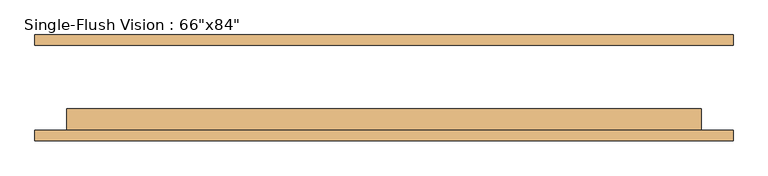
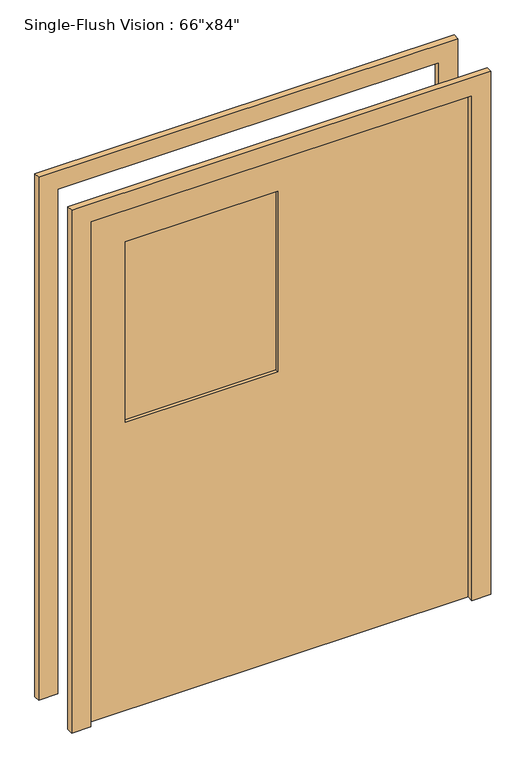
"""IFC4 building model written with IfcOpenShell, lengths in millimetres: door geometry."""

from ifc_helpers import new_model, si_unit, frame, origin, place, context, project, spatial, polyline, outline, extrude, source, transform, mapped, element, save


def door_ee42eb13(model_context):
    return source(origin(), model_context, "Body", "SweptSolid", [
        extrude(outline(polyline([(2209.8, -838.2), (0.0, -838.2), (0.0, -762.0), (2133.6, -762.0), (2133.6, 762.0), (0.0, 762.0), (0.0, 838.2), (2209.8, 838.2), (2209.8, -838.2)])), frame((0.0, -127.0, 0.0), z_axis=(0.0, 1.0, 0.0), x_axis=(0.0, 0.0, 1.0)), (0.0, 0.0, 1.0), 25.4),
        extrude(outline(polyline([(2133.6, 762.0), (0.0, 762.0), (0.0, 838.2), (2209.8, 838.2), (2209.8, -838.2), (0.0, -838.2), (0.0, -762.0), (2133.6, -762.0), (2133.6, 762.0)])), frame((0.0, 101.6, 0.0), z_axis=(0.0, 1.0, 0.0), x_axis=(0.0, 0.0, 1.0)), (0.0, 0.0, 1.0), 25.4),
        extrude(outline(polyline([(0.0, -63.5), (0.0, -69.85), (-609.6, -69.85), (-609.6, -63.5), (0.0, -63.5)])), frame((0.0, 0.0, 1219.2), z_axis=(0.0, 0.0, 1.0), x_axis=(1.0, 0.0, 0.0)), (0.0, 0.0, 1.0), 762.0),
        extrude(outline(polyline([(0.0, -82.55), (0.0, -88.9), (-609.6, -88.9), (-609.6, -82.55), (0.0, -82.55)])), frame((0.0, 0.0, 1219.2), z_axis=(0.0, 0.0, 1.0), x_axis=(1.0, 0.0, 0.0)), (0.0, 0.0, 1.0), 762.0),
        extrude(outline(polyline([(2133.6, -762.0), (0.0, -762.0), (0.0, 762.0), (2133.6, 762.0), (2133.6, -762.0)]), holes=[polyline([(1981.2, -609.6), (1981.2, 0.0), (1219.2, 0.0), (1219.2, -609.6), (1981.2, -609.6)])]), frame((0.0, -101.6, 0.0), z_axis=(0.0, 1.0, 0.0), x_axis=(0.0, 0.0, 1.0)), (0.0, 0.0, 1.0), 50.8),
    ])


if __name__ == "__main__":
    model = new_model("IFC4")
    model_context = context("Model", 3, world=origin())
    ifc_project = project(units=[si_unit("LENGTHUNIT", "METRE", prefix="MILLI")], contexts=[model_context])
    site = spatial("IfcSite", under=ifc_project)
    building = spatial("IfcBuilding", under=site)
    placement = place(None, origin())
    door_shape = door_ee42eb13(model_context)
    element("IfcDoor", 1, ObjectType="Single-Flush Vision : 66\"x84\"", at=placement, inside=building, context=model_context, shape_type="MappedRepresentation", body=[
        mapped(door_shape, transform((0.0, 0.0, 0.0), x_axis=(1.0, 0.0, 0.0), y_axis=(0.0, 1.0, 0.0), z_axis=(0.0, 0.0, 1.0))),
    ])
    save(model, "model.ifc")
